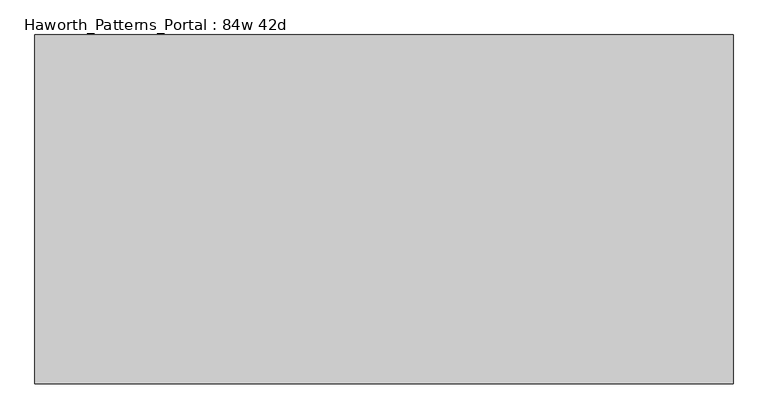
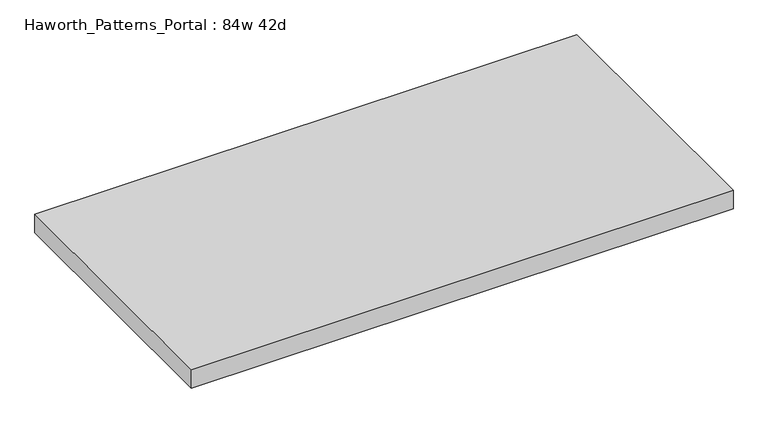
"""IFC4 building model written with IfcOpenShell, lengths in millimetres: furniture geometry, Haworth_Patterns_Portal : 84w 42d."""

from ifc_helpers import new_model, si_unit, frame, origin, place, context, project, spatial, polyline, outline, extrude, source, transform, mapped, element, save


def haworth_patterns_portal_84w_42d_390435d6(model_context):
    return source(origin(), model_context, "Body", "SweptSolid", [
        extrude(outline(polyline([(1066.8, 533.4), (1066.8, -533.4), (-1066.8, -533.4), (-1066.8, 533.4), (1066.8, 533.4)])), frame((0.0, 0.0, 2349.5), z_axis=(0.0, 0.0, 1.0), x_axis=(1.0, 0.0, 0.0)), (0.0, 0.0, 1.0), 76.2),
    ])


if __name__ == "__main__":
    model = new_model("IFC4")
    model_context = context("Model", 3, world=origin())
    ifc_project = project(units=[si_unit("LENGTHUNIT", "METRE", prefix="MILLI")], contexts=[model_context])
    site = spatial("IfcSite", under=ifc_project)
    building = spatial("IfcBuilding", under=site)
    placement = place(None, origin())
    haworth_patterns_portal_84w_42d_shape = haworth_patterns_portal_84w_42d_390435d6(model_context)
    element("IfcFurniture", 1, ObjectType="Haworth_Patterns_Portal : 84w 42d", at=placement, inside=building, context=model_context, shape_type="MappedRepresentation", body=[
        mapped(haworth_patterns_portal_84w_42d_shape, transform((0.0, 0.0, 0.0), x_axis=(1.0, 0.0, 0.0), y_axis=(0.0, 1.0, 0.0), z_axis=(0.0, 0.0, 1.0))),
    ])
    save(model, "model.ifc")
